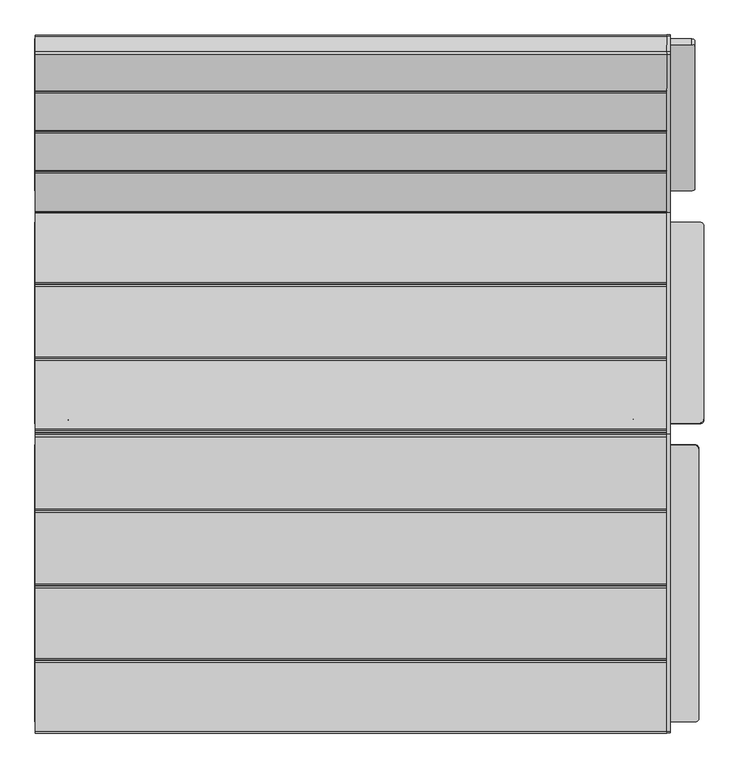
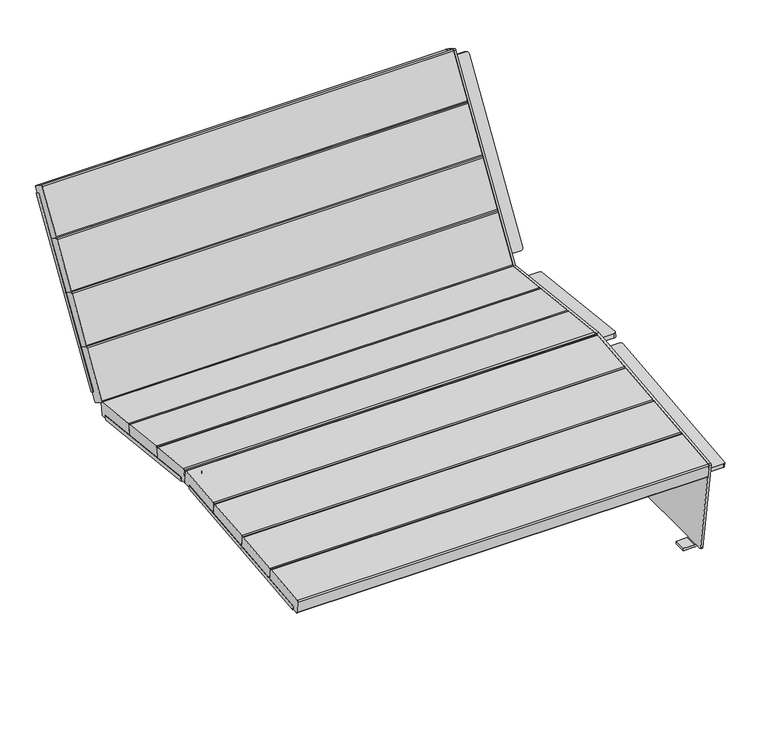
"""IFC4 building model written with IfcOpenShell, lengths in millimetres: furniture geometry."""

from ifc_helpers import new_model, si_unit, point, frame, frame_2d, origin, place, context, project, spatial, polyline, circle_curve, trimmed, segment, composite_curve, outline, extrude, source, transform, mapped, element, save
from ifc_brep_helpers import plane_surface, cylinder_surface, revolved_surface, advanced_brep


def furniture_d30e9b6e(model_context):
    return source(origin(), model_context, "Body", "SolidModel", [
        extrude(outline(composite_curve([segment(polyline([(0.0, 0.0), (578.0, 0.0), (578.0, -51.6665914)]), True, "CONTINUOUS"), segment(trimmed(circle_curve(frame_2d((569.9999999, -51.6665914)), 8.0), [point((578.0, -51.6665914))], [point((571.1396494, -59.5850003))], False, "CARTESIAN"), True, "CONTINUOUS"), segment(polyline([(571.1396494, -59.5850003), (7.0121057, -59.5850003)]), True, "CONTINUOUS"), segment(trimmed(circle_curve(frame_2d((7.0121057, -52.5728945)), 7.0121058), [point((7.0121057, -59.5850003))], [point((0.0, -52.5728945))], False, "CARTESIAN"), True, "CONTINUOUS"), segment(polyline([(0.0, -52.5728945), (0.0, 0.0)]), True, "CONTINUOUS")], self_intersect=False)), frame((-657.0, -653.6519252, 278.0435414), z_axis=(0.0, -0.10531331814140793, 0.9944390906546497), x_axis=(0.0, 0.9944390906546497, 0.10531331814140793)), (0.0, 0.0, 1.0), 12.2952655),
        extrude(outline(composite_curve([segment(polyline([(0.0, 0.0), (62.0, 0.0)]), True, "CONTINUOUS"), segment(trimmed(circle_curve(frame_2d((62.0, -7.9999999)), 8.0), [point((62.0, 0.0))], [point((70.0, -7.9999999))], False, "CARTESIAN"), True, "CONTINUOUS"), segment(polyline([(70.0, -7.9999999), (70.0, -412.0)]), True, "CONTINUOUS"), segment(trimmed(circle_curve(frame_2d((62.0, -412.0)), 8.0), [point((70.0, -412.0))], [point((62.0, -419.9999999))], False, "CARTESIAN"), True, "CONTINUOUS"), segment(polyline([(62.0, -419.9999999), (0.0, -419.9999999), (0.0, 0.0)]), True, "CONTINUOUS")], self_intersect=False)), frame((-657.0, 382.3486398, 292.0493405), z_axis=(0.0, 0.10875935595835198, 0.9940681075718728), x_axis=(1.0, 0.0, 0.0)), (0.0, 0.0, 1.0), 13.4436598),
        extrude(outline(composite_curve([segment(trimmed(circle_curve(frame_2d((0.0, -7.0)), 7.0), [point((-7.0000001, -7.0))], [point((0.9971933, -0.0713923))], False, "CARTESIAN"), True, "CONTINUOUS"), segment(polyline([(0.9971933, -0.0713923), (560.1716558, -0.0713923)]), True, "CONTINUOUS"), segment(trimmed(circle_curve(frame_2d((560.1716558, -7.0421103)), 6.970718), [point((560.1716558, -0.0713923))], [point((567.1423738, -7.0421103))], False, "CARTESIAN"), True, "CONTINUOUS"), segment(polyline([(567.1423738, -7.0421103), (567.1423738, -51.3139346), (-7.0000001, -51.3139346), (-7.0000001, -7.0)]), True, "CONTINUOUS")], self_intersect=False)), frame((-605.6860654, 761.3053612, 819.0950313), z_axis=(0.0, -0.8485020904898253, 0.5291920279391936), x_axis=(0.0, -0.5291920279391936, -0.8485020904898253)), (0.0, 0.0, 1.0), 13.5362306),
        advanced_brep(
        [(664.3530995, 602.7666168, 9.0224925), (655.3306071, 602.7666168, 0.0), (619.6140905, 602.7666168, 0.0), (619.6140905, 602.7666168, 8.1418753), (654.9504798, 602.7666168, 8.1418753), (657.0, 602.7666168, 10.1913955), (657.0, 602.7666168, 11.1667328), (664.3530995, 602.7666168, 11.1667328), (657.0, 563.2447437, 11.1667328), (657.0, 563.2447437, 10.1913955), (654.9504798, 563.2447437, 8.1418753), (619.6140905, 563.2447437, 8.1418753), (619.6140905, 563.2447437, 0.0), (655.3306071, 563.2447437, 0.0), (664.3530995, 563.2447437, 9.0224925), (664.3530995, 563.2447437, 11.1667328), (664.3530995, 632.5906619, 11.1667328), (664.3530995, 773.4237437, 842.4923379), (664.3530995, 771.6128802, 846.5443154), (664.3530995, 739.2072979, 866.9704616), (664.3530995, 733.6829682, 865.7075655), (664.3530995, 404.0685244, 338.6611211), (664.3530995, -55.947887, 389.484152), (664.3530995, -674.4279697, 323.9359283), (664.3530995, -677.9699267, 319.3675424), (664.3530995, -633.0934986, 14.5818314), (664.3530995, -629.1387431, 11.1667328), (664.3530995, -602.7666168, 11.1667328), (664.3530995, -602.7666168, 9.0224925), (664.3530995, -563.2447437, 9.0224925), (664.3530995, -563.2447437, 11.1667328), (664.3530995, -78.8661308, 338.9146392), (664.3530995, -653.6519252, 278.0435414), (664.3530995, -654.9467804, 290.270434), (664.3530995, -80.160986, 351.1415319), (664.3530995, 382.3486398, 292.0493405), (664.3530995, -35.1599653, 337.72827), (664.3530995, -33.6978416, 351.0921834), (664.3530995, 383.8107636, 305.4132539), (664.3530995, 765.0097054, 825.034546), (664.3530995, 461.1781383, 337.8735415), (664.3530995, 449.6926183, 345.0368069), (664.3530995, 753.5241854, 832.1978113), (657.0, -563.2447437, 11.1667328), (657.0, -563.2447437, 10.1913955), (657.0, -602.7666168, 10.1913955), (657.0, -602.7666168, 11.1667328), (657.0, -629.1387431, 11.1667328), (657.0, -633.0934986, 14.5818314), (657.0, -677.9699267, 319.3675424), (657.0, -674.4279697, 323.9359283), (657.0, -55.947887, 389.484152), (657.0, 404.0685244, 338.6611211), (657.0, 733.6829682, 865.7075655), (657.0, 739.2072979, 866.9704616), (657.0, 771.6128802, 846.5443154), (657.0, 773.4237437, 842.4923379), (657.0, 632.5906619, 11.1667328), (657.0, -653.6519252, 278.0435414), (657.0, -78.8661308, 338.9146392), (657.0, -80.160986, 351.1415319), (657.0, -654.9467804, 290.270434), (657.0, -35.1599653, 337.72827), (657.0, 382.3486398, 292.0493405), (657.0, 383.8107636, 305.4132539), (657.0, -33.6978416, 351.0921834), (657.0, 461.1781383, 337.8735415), (657.0, 765.0097054, 825.034546), (657.0, 753.5241854, 832.1978113), (657.0, 449.6926183, 345.0368069), (654.9504798, -602.7666168, 8.1418753), (619.6140905, -602.7666168, 8.1418753), (619.6140905, -602.7666168, 0.0), (655.3306071, -602.7666168, 0.0), (655.3306071, -563.2447437, 0.0), (619.6140905, -563.2447437, 0.0), (619.6140905, -563.2447437, 8.1418753), (654.9504798, -563.2447437, 8.1418753), (604.4271055, -653.6519252, 278.0435414), (597.4149997, -646.6788132, 278.7820095), (597.4149997, -85.6883316, 338.192153), (605.3334086, -78.8661308, 338.9146392), (605.3334086, -80.160986, 351.1415319), (597.4149997, -86.9831868, 350.4190456), (597.4149997, -647.9736684, 291.0089021), (604.4271055, -654.9467804, 290.270434), (716.0196909, -78.8661308, 338.9146392), (723.9380998, -85.6883316, 338.192153), (723.9380998, -646.6788132, 278.7820095), (716.925994, -653.6519252, 278.0435414), (716.925994, -654.9467804, 290.270434), (723.9380998, -647.9736684, 291.0089021), (723.9380998, -86.9831868, 350.4190456), (716.0196909, -80.160986, 351.1415319), (595.0, -35.1599653, 337.72827), (587.0, -27.2074205, 336.8581951), (587.0, 374.396095, 292.9194153), (595.0, 382.3486398, 292.0493405), (595.0, 383.8107636, 305.4132539), (587.0, 375.8582188, 306.2833288), (587.0, -25.7452967, 350.2221086), (595.0, -33.6978416, 351.0921834), (726.3530995, 382.3486398, 292.0493405), (734.3530995, 374.396095, 292.9194153), (734.3530995, -27.2074205, 336.8581951), (726.3530995, -35.1599653, 337.72827), (726.3530995, -33.6978416, 351.0921834), (734.3530995, -25.7452967, 350.2221086), (734.3530995, 375.8582188, 306.2833288), (726.3530995, 383.8107636, 305.4132539), (612.6860654, 765.0097054, 825.034546), (612.7281757, 461.1781383, 337.8735415), (605.7574577, 464.8669867, 343.7882103), (605.7574577, 760.7776544, 818.2489107), (612.6860654, 753.5241854, 832.1978113), (605.7574577, 749.2921345, 825.4121761), (605.7574577, 453.3814667, 350.9514757), (612.7281757, 449.6926183, 345.0368069), (708.6670341, 765.0097054, 825.034546), (715.5956418, 760.7776544, 818.2489107), (715.5956418, 464.8669867, 343.7882103), (708.6249239, 461.1781383, 337.8735415), (708.6670341, 753.5241854, 832.1978113), (708.6249239, 449.6926183, 345.0368069), (715.5956418, 453.3814667, 350.9514757), (715.5956418, 749.2921345, 825.4121761)],
        [
            (0, 1, circle_curve(frame((655.3306071, 602.7666168, 9.0224925), z_axis=(0.0, 1.0, 0.0), x_axis=(1.0, 0.0, 0.0)), 9.0224925)),
            (1, 2),
            (2, 3),
            (3, 4),
            (4, 5, circle_curve(frame((654.9504798, 602.7666168, 10.1913955), z_axis=(0.0, -1.0, 0.0), x_axis=(1.0, 0.0, 0.0)), 2.0495202)),
            (5, 6),
            (6, 7),
            (7, 0),
            (8, 9),
            (9, 10, circle_curve(frame((654.9504798, 563.2447437, 10.1913955), z_axis=(0.0, 1.0, 0.0), x_axis=(1.0, 0.0, 0.0)), 2.0495202)),
            (10, 11),
            (11, 12),
            (12, 13),
            (13, 14, circle_curve(frame((655.3306071, 563.2447437, 9.0224925), z_axis=(0.0, -1.0, 0.0), x_axis=(1.0, 0.0, 0.0)), 9.0224925)),
            (14, 15),
            (15, 8),
            (5, 9),
            (8, 6),
            (4, 10),
            (3, 11),
            (2, 12),
            (1, 13),
            (0, 14),
            (7, 16),
            (16, 17),
            (17, 18, circle_curve(frame((664.3530995, 769.4799351, 843.16045), z_axis=(1.0, 0.0, 0.0), x_axis=(0.0, 1.0, 0.0)), 4.0)),
            (18, 19),
            (19, 20, circle_curve(frame((664.3530995, 737.0743528, 863.5865962), z_axis=(1.0, 0.0, 0.0), x_axis=(0.0, 1.0, 0.0)), 4.0)),
            (20, 21),
            (21, 22),
            (22, 23),
            (23, 24, circle_curve(frame((664.3530995, -674.0056613, 319.951238), z_axis=(1.0, 0.0, 0.0), x_axis=(0.0, 1.0, 0.0)), 4.0070065)),
            (24, 25),
            (25, 26, circle_curve(frame((664.3530995, -629.1387431, 15.1641267), z_axis=(1.0, 0.0, 0.0), x_axis=(0.0, 1.0, 0.0)), 3.997394)),
            (26, 27),
            (27, 28),
            (28, 29),
            (29, 30),
            (30, 15),
            (31, 32),
            (32, 33),
            (33, 34),
            (34, 31),
            (35, 36),
            (36, 37),
            (37, 38),
            (38, 35),
            (39, 40),
            (40, 41),
            (41, 42),
            (42, 39),
            (8, 43),
            (43, 44),
            (44, 45),
            (45, 46),
            (46, 47),
            (47, 48, circle_curve(frame((657.0, -629.1387431, 15.1641267), z_axis=(-1.0, 0.0, 0.0), x_axis=(0.0, 1.0, 0.0)), 3.997394)),
            (48, 49),
            (49, 50, circle_curve(frame((657.0, -674.0056613, 319.951238), z_axis=(-1.0, 0.0, 0.0), x_axis=(0.0, 1.0, 0.0)), 4.0070065)),
            (50, 51),
            (51, 52),
            (52, 53),
            (53, 54, circle_curve(frame((657.0, 737.0743528, 863.5865962), z_axis=(-1.0, 0.0, 0.0), x_axis=(0.0, 1.0, 0.0)), 4.0)),
            (54, 55),
            (55, 56, circle_curve(frame((657.0, 769.4799351, 843.16045), z_axis=(-1.0, 0.0, 0.0), x_axis=(0.0, 1.0, 0.0)), 4.0)),
            (56, 57),
            (57, 6),
            (58, 59),
            (59, 60),
            (60, 61),
            (61, 58),
            (62, 63),
            (63, 64),
            (64, 65),
            (65, 62),
            (66, 67),
            (67, 68),
            (68, 69),
            (69, 66),
            (25, 48),
            (47, 26),
            (30, 43),
            (46, 27),
            (57, 16),
            (56, 17),
            (55, 18),
            (54, 19),
            (53, 20),
            (52, 21),
            (51, 22),
            (50, 23),
            (49, 24),
            (45, 70, circle_curve(frame((654.9504798, -602.7666168, 10.1913955), z_axis=(0.0, 1.0, 0.0), x_axis=(1.0, 0.0, 0.0)), 2.0495202)),
            (70, 71),
            (71, 72),
            (72, 73),
            (73, 28, circle_curve(frame((655.3306071, -602.7666168, 9.0224925), z_axis=(0.0, -1.0, 0.0), x_axis=(1.0, 0.0, 0.0)), 9.0224925)),
            (29, 74, circle_curve(frame((655.3306071, -563.2447437, 9.0224925), z_axis=(0.0, 1.0, 0.0), x_axis=(1.0, 0.0, 0.0)), 9.0224925)),
            (74, 75),
            (75, 76),
            (76, 77),
            (77, 44, circle_curve(frame((654.9504798, -563.2447437, 10.1913955), z_axis=(0.0, -1.0, 0.0), x_axis=(1.0, 0.0, 0.0)), 2.0495202)),
            (77, 70),
            (76, 71),
            (75, 72),
            (74, 73),
            (58, 78),
            (78, 79, circle_curve(frame((604.4271055, -646.6788132, 278.7820095), z_axis=(0.0, 0.10531331814140793, -0.9944390906546497), x_axis=(1.0, 0.0, 0.0)), 7.0121058)),
            (79, 80),
            (80, 81, circle_curve(frame((605.3334086, -86.8216436, 338.0721327), z_axis=(0.0, 0.10531331814140793, -0.9944390906546497), x_axis=(-1.0, 0.0, 0.0)), 8.0)),
            (81, 59),
            (60, 82),
            (82, 83, circle_curve(frame((605.3334086, -88.1164988, 350.2990253), z_axis=(0.0, -0.10531331814140793, 0.9944390906546497), x_axis=(-1.0, 0.0, 0.0)), 8.0)),
            (83, 84),
            (84, 85, circle_curve(frame((604.4271055, -647.9736684, 291.0089021), z_axis=(0.0, -0.10531331814140793, 0.9944390906546497), x_axis=(1.0, 0.0, 0.0)), 7.0121058)),
            (85, 61),
            (81, 82),
            (80, 83),
            (85, 78),
            (84, 79),
            (31, 86),
            (86, 87, circle_curve(frame((716.0196909, -86.8216436, 338.0721327), z_axis=(0.0, 0.10531331814140794, -0.9944390906546497), x_axis=(1.0, 0.0, 0.0)), 8.0)),
            (87, 88),
            (88, 89, circle_curve(frame((716.925994, -646.6788132, 278.7820095), z_axis=(0.0, 0.10531331814140794, -0.9944390906546497), x_axis=(-1.0, 0.0, 0.0)), 7.0121058)),
            (89, 32),
            (33, 90),
            (90, 91, circle_curve(frame((716.925994, -647.9736684, 291.0089021), z_axis=(0.0, -0.10531331814140794, 0.9944390906546497), x_axis=(-1.0, 0.0, 0.0)), 7.0121058)),
            (91, 92),
            (92, 93, circle_curve(frame((716.0196909, -88.1164988, 350.2990253), z_axis=(0.0, -0.10531331814140794, 0.9944390906546497), x_axis=(1.0, 0.0, 0.0)), 8.0)),
            (93, 34),
            (93, 86),
            (92, 87),
            (89, 90),
            (88, 91),
            (62, 94),
            (94, 95, circle_curve(frame((595.0, -27.2074205, 336.8581951), z_axis=(0.0, -0.10875935595835198, -0.9940681075718728), x_axis=(0.0, 0.9940681075718728, -0.10875935595835198)), 8.0)),
            (95, 96),
            (96, 97, circle_curve(frame((595.0, 374.396095, 292.9194153), z_axis=(0.0, -0.10875935595835198, -0.9940681075718728), x_axis=(0.0, 0.9940681075718728, -0.10875935595835198)), 8.0)),
            (97, 63),
            (64, 98),
            (98, 99, circle_curve(frame((595.0, 375.8582188, 306.2833288), z_axis=(0.0, 0.10875935595835198, 0.9940681075718728), x_axis=(0.0, 0.9940681075718728, -0.10875935595835198)), 8.0)),
            (99, 100),
            (100, 101, circle_curve(frame((595.0, -25.7452967, 350.2221086), z_axis=(0.0, 0.10875935595835198, 0.9940681075718728), x_axis=(0.0, 0.9940681075718728, -0.10875935595835198)), 8.0)),
            (101, 65),
            (97, 98),
            (96, 99),
            (95, 100),
            (94, 101),
            (35, 102),
            (102, 103, circle_curve(frame((726.3530995, 374.396095, 292.9194153), z_axis=(0.0, -0.10875935595835198, -0.9940681075718728), x_axis=(0.0, 0.9940681075718728, -0.10875935595835198)), 8.0)),
            (103, 104),
            (104, 105, circle_curve(frame((726.3530995, -27.2074205, 336.8581951), z_axis=(0.0, -0.10875935595835198, -0.9940681075718728), x_axis=(0.0, 0.9940681075718728, -0.10875935595835198)), 8.0)),
            (105, 36),
            (37, 106),
            (106, 107, circle_curve(frame((726.3530995, -25.7452967, 350.2221086), z_axis=(0.0, 0.10875935595835198, 0.9940681075718728), x_axis=(0.0, 0.9940681075718728, -0.10875935595835198)), 8.0)),
            (107, 108),
            (108, 109, circle_curve(frame((726.3530995, 375.8582188, 306.2833288), z_axis=(0.0, 0.10875935595835198, 0.9940681075718728), x_axis=(0.0, 0.9940681075718728, -0.10875935595835198)), 8.0)),
            (109, 38),
            (109, 102),
            (108, 103),
            (107, 104),
            (106, 105),
            (110, 67),
            (66, 111),
            (111, 112, circle_curve(frame((612.7281757, 464.8669867, 343.7882103), z_axis=(0.0, 0.8485020904898253, -0.5291920279391936), x_axis=(1.0, 0.0, 0.0)), 6.970718)),
            (112, 113),
            (113, 110, circle_curve(frame((612.6860654, 761.3053612, 819.0950313), z_axis=(0.0, 0.8485020904898253, -0.5291920279391936), x_axis=(-1.0, 0.0, 0.0)), 7.0)),
            (114, 115, circle_curve(frame((612.6860654, 749.8198412, 826.2582967), z_axis=(0.0, -0.8485020904898253, 0.5291920279391936), x_axis=(-1.0, 0.0, 0.0)), 7.0)),
            (115, 116),
            (116, 117, circle_curve(frame((612.7281757, 453.3814667, 350.9514757), z_axis=(0.0, -0.8485020904898253, 0.5291920279391936), x_axis=(1.0, 0.0, 0.0)), 6.970718)),
            (117, 69),
            (68, 114),
            (113, 115),
            (114, 110),
            (117, 111),
            (116, 112),
            (118, 119, circle_curve(frame((708.6670341, 761.3053612, 819.0950313), z_axis=(0.0, 0.8485020904898253, -0.5291920279391936), x_axis=(1.0, 0.0, 0.0)), 7.0)),
            (119, 120),
            (120, 121, circle_curve(frame((708.6249239, 464.8669867, 343.7882103), z_axis=(0.0, 0.8485020904898253, -0.5291920279391936), x_axis=(-1.0, 0.0, 0.0)), 6.970718)),
            (121, 40),
            (39, 118),
            (122, 42),
            (41, 123),
            (123, 124, circle_curve(frame((708.6249239, 453.3814667, 350.9514757), z_axis=(0.0, -0.8485020904898253, 0.5291920279391936), x_axis=(-1.0, 0.0, 0.0)), 6.970718)),
            (124, 125),
            (125, 122, circle_curve(frame((708.6670341, 749.8198412, 826.2582967), z_axis=(0.0, -0.8485020904898253, 0.5291920279391936), x_axis=(1.0, 0.0, 0.0)), 7.0)),
            (118, 122),
            (125, 119),
            (121, 123),
            (120, 124),
        ],
        [
            plane_surface(frame((657.0, 602.7666168, 15.0954559), z_axis=(0.0, 1.0, 0.0), x_axis=(0.0, 0.0, 1.0))),
            plane_surface(frame((657.0, 563.2447437, 15.0954559), z_axis=(0.0, -1.0, 0.0), x_axis=(0.0, 0.0, -1.0))),
            plane_surface(frame((657.0, 602.7666168, 10.1913955), z_axis=(-1.0, 0.0, 0.0), x_axis=(0.0, -1.0, 0.0))),
            revolved_surface(polyline([(657.0, 563.2447437, 10.1913955), (657.0, 602.7666168, 10.1913955)]), (654.9504798, 563.2447437, 10.1913955), (0.0, -1.0, 0.0)),
            plane_surface(frame((619.6140905, 602.7666168, 8.1418753), z_axis=(0.0, 0.0, 1.0), x_axis=(0.0, -1.0, 0.0))),
            plane_surface(frame((619.6140905, 602.7666168, 0.0), z_axis=(-1.0, 0.0, 0.0), x_axis=(0.0, -1.0, 0.0))),
            plane_surface(frame((655.3306071, 602.7666168, 0.0), z_axis=(0.0, 0.0, -1.0), x_axis=(0.0, -1.0, 0.0))),
            cylinder_surface(frame((655.3306071, 563.2447437, 9.0224925), z_axis=(0.0, 1.0, 0.0), x_axis=(1.0, 0.0, 0.0)), 9.0224925),
            plane_surface(frame((664.3530995, 602.7666168, 15.0954559), z_axis=(1.0, 0.0, 0.0), x_axis=(0.0, -1.0, 0.0))),
            plane_surface(frame((657.0, 602.7666168, 11.1667328), z_axis=(-1.0, 0.0, 0.0), x_axis=(0.0, -1.0, 0.0))),
            cylinder_surface(frame((657.0, -629.1387431, 15.1641267), z_axis=(1.0, 0.0, 0.0), x_axis=(0.0, 1.0, 0.0)), 3.997394),
            plane_surface(frame((664.3530995, -629.1387431, 11.1667328), z_axis=(0.0, 0.0, -1.0), x_axis=(-1.0, 0.0, 0.0))),
            plane_surface(frame((664.3530995, 632.5906619, 11.1667328), z_axis=(0.0, 0.985952147265219, -0.16702803148904108), x_axis=(-1.0, 0.0, 0.0))),
            cylinder_surface(frame((657.0, 769.4799351, 843.16045), z_axis=(1.0, 0.0, 0.0), x_axis=(0.0, 1.0, 0.0)), 4.0),
            plane_surface(frame((664.3530995, 771.6128802, 846.5443154), z_axis=(0.0, 0.5332362847455439, 0.845966349585354), x_axis=(-1.0, 0.0, 0.0))),
            cylinder_surface(frame((657.0, 737.0743528, 863.5865962), z_axis=(1.0, 0.0, 0.0), x_axis=(0.0, 1.0, 0.0)), 4.0),
            plane_surface(frame((664.3530995, 733.6829682, 865.7075655), z_axis=(0.0, -0.8478461383112661, 0.5302423273850114), x_axis=(-1.0, 0.0, 0.0))),
            plane_surface(frame((664.3530995, 404.0685244, 338.6611211), z_axis=(0.0, 0.10981275199900425, 0.9939522923653857), x_axis=(-1.0, 0.0, 0.0))),
            plane_surface(frame((664.3530995, -55.947887, 389.484152), z_axis=(0.0, -0.10539250642220668, 0.9944307012507434), x_axis=(-1.0, 0.0, 0.0))),
            cylinder_surface(frame((657.0, -674.0056613, 319.951238), z_axis=(1.0, 0.0, 0.0), x_axis=(0.0, 1.0, 0.0)), 4.0070065),
            plane_surface(frame((664.3530995, -677.9699267, 319.3675424), z_axis=(0.0, -0.9893334212997198, -0.14566873892291154), x_axis=(-1.0, 0.0, 0.0))),
            plane_surface(frame((657.0, -602.7666168, 11.1667328), z_axis=(0.0, -1.0, 0.0), x_axis=(0.0, 0.0, -1.0))),
            plane_surface(frame((657.0, -563.2447437, 11.1667328), z_axis=(0.0, 1.0, 0.0), x_axis=(0.0, 0.0, 1.0))),
            revolved_surface(polyline([(657.0, -563.2447437, 10.1913955), (657.0, -602.7666168, 10.1913955)]), (654.9504798, -563.2447437, 10.1913955), (0.0, 1.0, 0.0)),
            plane_surface(frame((654.9504798, -602.7666168, 8.1418753), z_axis=(0.0, 0.0, 1.0), x_axis=(0.0, 1.0, 0.0))),
            plane_surface(frame((619.6140905, -602.7666168, 8.1418753), z_axis=(-1.0, 0.0, 0.0), x_axis=(0.0, 1.0, 0.0))),
            plane_surface(frame((619.6140905, -602.7666168, 0.0), z_axis=(0.0, 0.0, -1.0), x_axis=(0.0, 1.0, 0.0))),
            cylinder_surface(frame((655.3306071, -563.2447437, 9.0224925), z_axis=(0.0, -1.0, 0.0), x_axis=(1.0, 0.0, 0.0)), 9.0224925),
            plane_surface(frame((607.6361934, -653.6519252, 278.0435414), z_axis=(0.0, 0.10531331814140793, -0.9944390906546497), x_axis=(-1.0, 0.0, 0.0))),
            plane_surface(frame((607.6361934, -654.9467804, 290.270434), z_axis=(0.0, -0.10531331814140793, 0.9944390906546497), x_axis=(1.0, 0.0, 0.0))),
            plane_surface(frame((605.3334086, -78.8661308, 338.9146392), z_axis=(0.0, 0.9944390906546499, 0.10531331814140715), x_axis=(0.0, -0.10531331814140715, 0.9944390906546499))),
            cylinder_surface(frame((605.3334086, -88.1164988, 350.2990253), z_axis=(0.0, 0.10531331814140793, -0.9944390906546497), x_axis=(-1.0, 0.0, 0.0)), 8.0),
            plane_surface(frame((657.0, -653.6519252, 278.0435414), z_axis=(0.0, -0.9944390906546492, -0.10531331814141288), x_axis=(0.0, -0.10531331814141288, 0.9944390906546492))),
            cylinder_surface(frame((604.4271055, -647.9736684, 291.0089021), z_axis=(0.0, 0.10531331814140793, -0.9944390906546497), x_axis=(1.0, 0.0, 0.0)), 7.0121058),
            plane_surface(frame((597.4149997, -646.6788132, 278.7820095), z_axis=(-1.0, 0.0, 0.0), x_axis=(0.0, -0.10531331814141288, 0.9944390906546492))),
            plane_surface(frame((664.3530995, -653.6519252, 278.0435414), z_axis=(0.0, 0.10531331814140794, -0.9944390906546497), x_axis=(0.0, 0.9944390906546497, 0.10531331814140794))),
            plane_surface(frame((664.3530995, -654.9467804, 290.270434), z_axis=(0.0, -0.10531331814140794, 0.9944390906546497), x_axis=(0.0, -0.9944390906546497, -0.10531331814140794))),
            plane_surface(frame((664.3530995, -78.8661308, 338.9146392), z_axis=(0.0, 0.9944390906546499, 0.10531331814140715), x_axis=(0.0, -0.10531331814140715, 0.9944390906546499))),
            cylinder_surface(frame((716.0196909, -88.1164988, 350.2990253), z_axis=(0.0, 0.10531331814140794, -0.9944390906546497), x_axis=(1.0, 0.0, 0.0)), 8.0),
            plane_surface(frame((716.925994, -653.6519252, 278.0435414), z_axis=(0.0, -0.9944390906546492, -0.10531331814141288), x_axis=(0.0, -0.10531331814141288, 0.9944390906546492))),
            cylinder_surface(frame((716.925994, -647.9736684, 291.0089021), z_axis=(0.0, 0.10531331814140794, -0.9944390906546497), x_axis=(-1.0, 0.0, 0.0)), 7.0121058),
            plane_surface(frame((723.9380998, -85.6883316, 338.192153), z_axis=(1.0, 0.0, 0.0), x_axis=(0.0, -0.10531331814140715, 0.9944390906546499))),
            plane_surface(frame((657.0, -35.1599653, 337.72827), z_axis=(0.0, -0.10875935595835198, -0.9940681075718728), x_axis=(0.0, -0.9940681075718728, 0.10875935595835198))),
            plane_surface(frame((657.0, -33.6978416, 351.0921834), z_axis=(0.0, 0.10875935595835198, 0.9940681075718728), x_axis=(0.0, 0.9940681075718728, -0.10875935595835198))),
            plane_surface(frame((595.0, 382.3486398, 292.0493405), z_axis=(0.0, 0.9940681075718729, -0.10875935595835155), x_axis=(0.0, 0.10875935595835155, 0.9940681075718729))),
            cylinder_surface(frame((595.0, 375.8582188, 306.2833288), z_axis=(0.0, -0.10875935595835198, -0.9940681075718728), x_axis=(0.0, 0.9940681075718728, -0.10875935595835198)), 8.0),
            plane_surface(frame((587.0, -27.2074205, 336.8581951), z_axis=(-1.0, 0.0, 0.0), x_axis=(0.0, 0.10875935595835222, 0.9940681075718728))),
            cylinder_surface(frame((595.0, -25.7452967, 350.2221086), z_axis=(0.0, -0.10875935595835198, -0.9940681075718728), x_axis=(0.0, 0.9940681075718728, -0.10875935595835198)), 8.0),
            plane_surface(frame((657.0, -35.1599653, 337.72827), z_axis=(0.0, -0.9940681075718728, 0.1087593559583519), x_axis=(0.0, 0.1087593559583519, 0.9940681075718728))),
            plane_surface(frame((664.3530995, 382.3486398, 292.0493405), z_axis=(0.0, -0.10875935595835198, -0.9940681075718728), x_axis=(1.0, 0.0, 0.0))),
            plane_surface(frame((664.3530995, 383.8107636, 305.4132539), z_axis=(0.0, 0.10875935595835198, 0.9940681075718728), x_axis=(-1.0, 0.0, 0.0))),
            plane_surface(frame((664.3530995, 382.3486398, 292.0493405), z_axis=(0.0, 0.9940681075718729, -0.10875935595835155), x_axis=(0.0, 0.10875935595835155, 0.9940681075718729))),
            cylinder_surface(frame((726.3530995, 375.8582188, 306.2833288), z_axis=(0.0, -0.10875935595835198, -0.9940681075718728), x_axis=(0.0, 0.9940681075718728, -0.10875935595835198)), 8.0),
            plane_surface(frame((734.3530995, 374.396095, 292.9194153), z_axis=(1.0, 0.0, 0.0), x_axis=(0.0, 0.10875935595835155, 0.9940681075718729))),
            cylinder_surface(frame((726.3530995, -25.7452967, 350.2221086), z_axis=(0.0, -0.10875935595835198, -0.9940681075718728), x_axis=(0.0, 0.9940681075718728, -0.10875935595835198)), 8.0),
            plane_surface(frame((726.3530995, -35.1599653, 337.72827), z_axis=(0.0, -0.9940681075718729, 0.10875935595835183), x_axis=(0.0, 0.10875935595835183, 0.9940681075718729))),
            plane_surface(frame((657.1685248, 765.0097054, 825.034546), z_axis=(0.0, 0.8485020904898253, -0.5291920279391936), x_axis=(1.0, 0.0, 0.0))),
            plane_surface(frame((657.1685248, 753.5241854, 832.1978113), z_axis=(0.0, -0.8485020904898253, 0.5291920279391936), x_axis=(-1.0, 0.0, 0.0))),
            cylinder_surface(frame((612.6860654, 749.8198412, 826.2582967), z_axis=(0.0, 0.8485020904898253, -0.5291920279391936), x_axis=(-1.0, 0.0, 0.0)), 7.0),
            plane_surface(frame((657.0, 461.1781383, 337.8735415), z_axis=(0.0, -0.5291920279391971, -0.8485020904898233), x_axis=(0.0, -0.8485020904898233, 0.5291920279391971))),
            plane_surface(frame((612.6860654, 765.0097054, 825.034546), z_axis=(0.0, 0.5291920279391971, 0.8485020904898233), x_axis=(0.0, -0.8485020904898233, 0.5291920279391971))),
            cylinder_surface(frame((612.7281757, 453.3814667, 350.9514757), z_axis=(0.0, 0.8485020904898253, -0.5291920279391936), x_axis=(1.0, 0.0, 0.0)), 6.970718),
            plane_surface(frame((605.7574577, 464.8669867, 343.7882103), z_axis=(-1.0, 0.0, 0.0), x_axis=(0.0, -0.8485020904898283, 0.529192027939189))),
            plane_surface(frame((715.6670341, 761.3053612, 819.0950313), z_axis=(0.0, 0.8485020904898254, -0.5291920279391936), x_axis=(0.0, -0.5291920279391936, -0.8485020904898254))),
            plane_surface(frame((715.6670341, 749.8198412, 826.2582967), z_axis=(0.0, -0.8485020904898254, 0.5291920279391936), x_axis=(0.0, 0.5291920279391936, 0.8485020904898254))),
            cylinder_surface(frame((708.6670341, 749.8198412, 826.2582967), z_axis=(0.0, 0.8485020904898253, -0.5291920279391936), x_axis=(1.0, 0.0, 0.0)), 7.0),
            plane_surface(frame((708.6249239, 461.1781383, 337.8735415), z_axis=(0.0, -0.5291920279391912, -0.8485020904898268), x_axis=(0.0, -0.8485020904898268, 0.5291920279391912))),
            plane_surface(frame((664.3530995, 765.0097054, 825.034546), z_axis=(0.0, 0.5291920279391971, 0.8485020904898233), x_axis=(0.0, -0.8485020904898233, 0.5291920279391971))),
            cylinder_surface(frame((708.6249239, 453.3814667, 350.9514757), z_axis=(0.0, 0.8485020904898253, -0.5291920279391936), x_axis=(-1.0, 0.0, 0.0)), 6.970718),
            plane_surface(frame((715.5956418, 760.7776544, 818.2489107), z_axis=(1.0000000000000002, 0.0, 0.0), x_axis=(0.0, -0.8485020904898233, 0.5291920279391971))),
        ],
        [
            (0, [[1, 2, 3, 4, 5, 6, 7, 8]]),
            (1, [[9, 10, 11, 12, 13, 14, 15, 16]]),
            (2, [[-6, 17, -9, 18]]),
            (3, [[-5, 19, -10, -17]]),
            (4, [[-4, 20, -11, -19]]),
            (5, [[-3, 21, -12, -20]]),
            (6, [[-2, 22, -13, -21]]),
            (7, [[-1, 23, -14, -22]]),
            (8, [[-23, -8, 24, 25, 26, 27, 28, 29, 30, 31, 32, 33, 34, 35, 36, 37, 38, 39, -15], [40, 41, 42, 43], [44, 45, 46, 47], [48, 49, 50, 51]]),
            (9, [[-18, 52, 53, 54, 55, 56, 57, 58, 59, 60, 61, 62, 63, 64, 65, 66, 67], [68, 69, 70, 71], [72, 73, 74, 75], [76, 77, 78, 79]]),
            (10, [[-34, 80, -57, 81]]),
            (11, [[-16, -39, 82, -52]]),
            (11, [[-81, -56, 83, -35]]),
            (11, [[84, -24, -7, -67]]),
            (12, [[-25, -84, -66, 85]]),
            (13, [[-26, -85, -65, 86]]),
            (14, [[-27, -86, -64, 87]]),
            (15, [[-28, -87, -63, 88]]),
            (16, [[-29, -88, -62, 89]]),
            (17, [[-30, -89, -61, 90]]),
            (18, [[-31, -90, -60, 91]]),
            (19, [[-32, -91, -59, 92]]),
            (20, [[-33, -92, -58, -80]]),
            (21, [[-55, 93, 94, 95, 96, 97, -36, -83]]),
            (22, [[98, 99, 100, 101, 102, -53, -82, -38]]),
            (23, [[-93, -54, -102, 103]]),
            (24, [[-94, -103, -101, 104]]),
            (25, [[-95, -104, -100, 105]]),
            (26, [[-96, -105, -99, 106]]),
            (27, [[-97, -106, -98, -37]]),
            (28, [[107, 108, 109, 110, 111, -68]]),
            (29, [[112, 113, 114, 115, 116, -70]]),
            (30, [[-111, 117, -112, -69]]),
            (31, [[-110, 118, -113, -117]]),
            (32, [[-107, -71, -116, 119]]),
            (33, [[-108, -119, -115, 120]]),
            (34, [[-109, -120, -114, -118]]),
            (35, [[121, 122, 123, 124, 125, -40]]),
            (36, [[126, 127, 128, 129, 130, -42]]),
            (37, [[-121, -43, -130, 131]]),
            (38, [[-122, -131, -129, 132]]),
            (39, [[-125, 133, -126, -41]]),
            (40, [[-124, 134, -127, -133]]),
            (41, [[-123, -132, -128, -134]]),
            (42, [[135, 136, 137, 138, 139, -72]]),
            (43, [[140, 141, 142, 143, 144, -74]]),
            (44, [[-139, 145, -140, -73]]),
            (45, [[-138, 146, -141, -145]]),
            (46, [[-137, 147, -142, -146]]),
            (47, [[-136, 148, -143, -147]]),
            (48, [[-135, -75, -144, -148]]),
            (49, [[149, 150, 151, 152, 153, -44]]),
            (50, [[154, 155, 156, 157, 158, -46]]),
            (51, [[-149, -47, -158, 159]]),
            (52, [[-150, -159, -157, 160]]),
            (53, [[-151, -160, -156, 161]]),
            (54, [[-152, -161, -155, 162]]),
            (55, [[-153, -162, -154, -45]]),
            (56, [[163, -76, 164, 165, 166, 167]]),
            (57, [[168, 169, 170, 171, -78, 172]]),
            (58, [[-167, 173, -168, 174]]),
            (59, [[-164, -79, -171, 175]]),
            (60, [[-163, -174, -172, -77]]),
            (61, [[-165, -175, -170, 176]]),
            (62, [[-166, -176, -169, -173]]),
            (63, [[177, 178, 179, 180, -48, 181]]),
            (64, [[182, -50, 183, 184, 185, 186]]),
            (65, [[-177, 187, -186, 188]]),
            (66, [[-180, 189, -183, -49]]),
            (67, [[-181, -51, -182, -187]]),
            (68, [[-179, 190, -184, -189]]),
            (69, [[-178, -188, -185, -190]]),
        ],
    ),
        extrude(outline(composite_curve([segment(polyline([(689.8360354, 718.7427227), (658.4414581, 738.3228278)]), True, "CONTINUOUS"), segment(trimmed(circle_curve(frame_2d((660.5582262, 741.7168361)), 4.0), [point((658.4414581, 738.3228278))], [point((657.1642178, 743.8336042))], False, "CARTESIAN"), True, "CONTINUOUS"), segment(polyline([(657.1642178, 743.8336042), (733.4991308, 866.2283681)]), True, "CONTINUOUS"), segment(trimmed(circle_curve(frame_2d((736.8931392, 864.1115999)), 4.0), [point((733.4991308, 866.2283681))], [point((739.0099073, 867.5056083))], False, "CARTESIAN"), True, "CONTINUOUS"), segment(polyline([(739.0099073, 867.5056083), (770.4044847, 847.9255033)]), True, "CONTINUOUS"), segment(trimmed(circle_curve(frame_2d((768.2877166, 844.5314949)), 4.0), [point((770.4044847, 847.9255033))], [point((771.6817249, 842.4147268))], False, "CARTESIAN"), True, "CONTINUOUS"), segment(polyline([(771.6817249, 842.4147268), (695.3468119, 720.019963)]), True, "CONTINUOUS"), segment(trimmed(circle_curve(frame_2d((691.9528035, 722.1367311)), 4.0), [point((695.3468119, 720.019963))], [point((689.8360354, 718.7427227))], False, "CARTESIAN"), True, "CONTINUOUS")], self_intersect=False)), frame((-655.9426647, 0.0, 0.0), z_axis=(1.0, 0.0, 0.0), x_axis=(0.0, 1.0, 0.0)), (0.0, 0.0, 1.0), 1312.9426647),
        extrude(outline(composite_curve([segment(polyline([(606.8517862, 585.6864687), (575.4572089, 605.2665737)]), True, "CONTINUOUS"), segment(trimmed(circle_curve(frame_2d((577.573977, 608.6605821)), 4.0), [point((575.4572089, 605.2665737))], [point((574.1799686, 610.7773502))], False, "CARTESIAN"), True, "CONTINUOUS"), segment(polyline([(574.1799686, 610.7773502), (652.9306816, 737.0455875)]), True, "CONTINUOUS"), segment(trimmed(circle_curve(frame_2d((656.32469, 734.9288194)), 4.0), [point((652.9306816, 737.0455875))], [point((658.4414581, 738.3228278))], False, "CARTESIAN"), True, "CONTINUOUS"), segment(polyline([(658.4414581, 738.3228278), (689.8360354, 718.7427227)]), True, "CONTINUOUS"), segment(trimmed(circle_curve(frame_2d((687.7192673, 715.3487144)), 4.0), [point((689.8360354, 718.7427227))], [point((691.1132757, 713.2319463))], False, "CARTESIAN"), True, "CONTINUOUS"), segment(polyline([(691.1132757, 713.2319463), (612.3625627, 586.9637089)]), True, "CONTINUOUS"), segment(trimmed(circle_curve(frame_2d((608.9685544, 589.080477)), 4.0), [point((612.3625627, 586.9637089))], [point((606.8517862, 585.6864687))], False, "CARTESIAN"), True, "CONTINUOUS")], self_intersect=False)), frame((-655.9426647, 0.0, 0.0), z_axis=(1.0, 0.0, 0.0), x_axis=(0.0, 1.0, 0.0)), (0.0, 0.0, 1.0), 1312.9426647),
        extrude(outline(composite_curve([segment(polyline([(523.5785945, 452.1669265), (492.1840171, 471.7470315)]), True, "CONTINUOUS"), segment(trimmed(circle_curve(frame_2d((494.3007852, 475.1410399)), 4.0), [point((492.1840171, 471.7470315))], [point((490.9067769, 477.257808))], False, "CARTESIAN"), True, "CONTINUOUS"), segment(polyline([(490.9067769, 477.257808), (569.9464324, 603.9893335)]), True, "CONTINUOUS"), segment(trimmed(circle_curve(frame_2d((573.3404408, 601.8725654)), 4.0), [point((569.9464324, 603.9893335))], [point((575.4572089, 605.2665737))], False, "CARTESIAN"), True, "CONTINUOUS"), segment(polyline([(575.4572089, 605.2665737), (606.8517862, 585.6864687)]), True, "CONTINUOUS"), segment(trimmed(circle_curve(frame_2d((604.7350181, 582.2924603)), 4.0), [point((606.8517862, 585.6864687))], [point((608.1290265, 580.1756922))], False, "CARTESIAN"), True, "CONTINUOUS"), segment(polyline([(608.1290265, 580.1756922), (529.0893709, 453.4441667)]), True, "CONTINUOUS"), segment(trimmed(circle_curve(frame_2d((525.6953626, 455.5609348)), 4.0), [point((529.0893709, 453.4441667))], [point((523.5785945, 452.1669265))], False, "CARTESIAN"), True, "CONTINUOUS")], self_intersect=False)), frame((-655.9426647, 0.0, 0.0), z_axis=(1.0, 0.0, 0.0), x_axis=(0.0, 1.0, 0.0)), (0.0, 0.0, 1.0), 1312.9426647),
        extrude(outline(composite_curve([segment(polyline([(438.729074, 316.119912), (407.3344967, 335.7000171)]), True, "CONTINUOUS"), segment(trimmed(circle_curve(frame_2d((409.4512648, 339.0940254)), 4.0), [point((407.3344967, 335.7000171))], [point((406.0572564, 341.2107935))], False, "CARTESIAN"), True, "CONTINUOUS"), segment(polyline([(406.0572564, 341.2107935), (486.6732406, 470.4697913)]), True, "CONTINUOUS"), segment(trimmed(circle_curve(frame_2d((490.067249, 468.3530232)), 4.0), [point((486.6732406, 470.4697913))], [point((492.1840171, 471.7470315))], False, "CARTESIAN"), True, "CONTINUOUS"), segment(polyline([(492.1840171, 471.7470315), (523.5785945, 452.1669265)]), True, "CONTINUOUS"), segment(trimmed(circle_curve(frame_2d((521.4618263, 448.7729181)), 4.0), [point((523.5785945, 452.1669265))], [point((524.8558347, 446.65615))], False, "CARTESIAN"), True, "CONTINUOUS"), segment(polyline([(524.8558347, 446.65615), (444.2398505, 317.3971523)]), True, "CONTINUOUS"), segment(trimmed(circle_curve(frame_2d((440.8458421, 319.5139204)), 4.0), [point((444.2398505, 317.3971523))], [point((438.729074, 316.119912))], False, "CARTESIAN"), True, "CONTINUOUS")], self_intersect=False)), frame((-655.9426647, 0.0, 0.0), z_axis=(1.0, 0.0, 0.0), x_axis=(0.0, 1.0, 0.0)), (0.0, 0.0, 1.0), 1312.9426647),
        extrude(outline(composite_curve([segment(polyline([(-526.5618181, 293.8107679), (-670.18914, 278.6003141)]), True, "CONTINUOUS"), segment(trimmed(circle_curve(frame_2d((-670.6103933, 282.5780704)), 4.0), [point((-670.18914, 278.6003141))], [point((-674.5881496, 282.1568171))], False, "CARTESIAN"), True, "CONTINUOUS"), segment(polyline([(-674.5881496, 282.1568171), (-678.4847424, 318.9510635)]), True, "CONTINUOUS"), segment(trimmed(circle_curve(frame_2d((-674.506986, 319.3723168)), 4.0), [point((-678.4847424, 318.9510635))], [point((-674.9282393, 323.3500731))], False, "CARTESIAN"), True, "CONTINUOUS"), segment(polyline([(-674.9282393, 323.3500731), (-531.3009174, 338.5605269)]), True, "CONTINUOUS"), segment(trimmed(circle_curve(frame_2d((-530.8796641, 334.5827706)), 4.0), [point((-531.3009174, 338.5605269))], [point((-526.9019077, 335.0040238))], False, "CARTESIAN"), True, "CONTINUOUS"), segment(polyline([(-526.9019077, 335.0040238), (-523.005315, 298.2097775)]), True, "CONTINUOUS"), segment(trimmed(circle_curve(frame_2d((-526.9830713, 297.7885242)), 4.0), [point((-523.005315, 298.2097775))], [point((-526.5618181, 293.8107679))], False, "CARTESIAN"), True, "CONTINUOUS")], self_intersect=False)), frame((-655.9426647, 0.0, 0.0), z_axis=(1.0, 0.0, 0.0), x_axis=(0.0, 1.0, 0.0)), (0.0, 0.0, 1.0), 1312.9426647),
        extrude(outline(composite_curve([segment(polyline([(-371.4753437, 310.2347715), (-518.6063053, 294.6532744)]), True, "CONTINUOUS"), segment(trimmed(circle_curve(frame_2d((-519.0275586, 298.6310308)), 4.0), [point((-518.6063053, 294.6532744))], [point((-523.005315, 298.2097775))], False, "CARTESIAN"), True, "CONTINUOUS"), segment(polyline([(-523.005315, 298.2097775), (-526.9019077, 335.0040238)]), True, "CONTINUOUS"), segment(trimmed(circle_curve(frame_2d((-522.9241514, 335.4252771)), 4.0), [point((-526.9019077, 335.0040238))], [point((-523.3454047, 339.4030335))], False, "CARTESIAN"), True, "CONTINUOUS"), segment(polyline([(-523.3454047, 339.4030335), (-376.214443, 354.9845305)]), True, "CONTINUOUS"), segment(trimmed(circle_curve(frame_2d((-375.7931898, 351.0067742)), 4.0), [point((-376.214443, 354.9845305))], [point((-371.8154334, 351.4280275))], False, "CARTESIAN"), True, "CONTINUOUS"), segment(polyline([(-371.8154334, 351.4280275), (-367.9188406, 314.6337811)]), True, "CONTINUOUS"), segment(trimmed(circle_curve(frame_2d((-371.896597, 314.2125278)), 4.0), [point((-367.9188406, 314.6337811))], [point((-371.4753437, 310.2347715))], False, "CARTESIAN"), True, "CONTINUOUS")], self_intersect=False)), frame((-655.9426647, 0.0, 0.0), z_axis=(1.0, 0.0, 0.0), x_axis=(0.0, 1.0, 0.0)), (0.0, 0.0, 1.0), 1312.9426647),
        extrude(outline(composite_curve([segment(polyline([(-214.8743634, 326.8191646), (-363.519831, 311.077278)]), True, "CONTINUOUS"), segment(trimmed(circle_curve(frame_2d((-363.9410843, 315.0550344)), 4.0), [point((-363.519831, 311.077278))], [point((-367.9188406, 314.6337811))], False, "CARTESIAN"), True, "CONTINUOUS"), segment(polyline([(-367.9188406, 314.6337811), (-371.8154334, 351.4280275)]), True, "CONTINUOUS"), segment(trimmed(circle_curve(frame_2d((-367.837677, 351.8492807)), 4.0), [point((-371.8154334, 351.4280275))], [point((-368.2589303, 355.8270371))], False, "CARTESIAN"), True, "CONTINUOUS"), segment(polyline([(-368.2589303, 355.8270371), (-219.6134627, 371.5689237)]), True, "CONTINUOUS"), segment(trimmed(circle_curve(frame_2d((-219.1922094, 367.5911674)), 4.0), [point((-219.6134627, 371.5689237))], [point((-215.2144531, 368.0124206))], False, "CARTESIAN"), True, "CONTINUOUS"), segment(polyline([(-215.2144531, 368.0124206), (-211.3178603, 331.2181743)]), True, "CONTINUOUS"), segment(trimmed(circle_curve(frame_2d((-215.2956167, 330.796921)), 4.0), [point((-211.3178603, 331.2181743))], [point((-214.8743634, 326.8191646))], False, "CARTESIAN"), True, "CONTINUOUS")], self_intersect=False)), frame((-655.9426647, 0.0, 0.0), z_axis=(1.0, 0.0, 0.0), x_axis=(0.0, 1.0, 0.0)), (0.0, 0.0, 1.0), 1312.9426647),
        extrude(outline(composite_curve([segment(polyline([(-57.9329242, 343.4396132), (-206.9188507, 327.6616712)]), True, "CONTINUOUS"), segment(trimmed(circle_curve(frame_2d((-207.3401039, 331.6394275)), 4.0), [point((-206.9188507, 327.6616712))], [point((-211.3178603, 331.2181743))], False, "CARTESIAN"), True, "CONTINUOUS"), segment(polyline([(-211.3178603, 331.2181743), (-215.2144531, 368.0124206)]), True, "CONTINUOUS"), segment(trimmed(circle_curve(frame_2d((-211.2366967, 368.4336739)), 4.0), [point((-215.2144531, 368.0124206))], [point((-211.65795, 372.4114303))], False, "CARTESIAN"), True, "CONTINUOUS"), segment(polyline([(-211.65795, 372.4114303), (-62.6720235, 388.1893722)]), True, "CONTINUOUS"), segment(trimmed(circle_curve(frame_2d((-62.2507702, 384.2116159)), 4.0), [point((-62.6720235, 388.1893722))], [point((-58.2730138, 384.6328692))], False, "CARTESIAN"), True, "CONTINUOUS"), segment(polyline([(-58.2730138, 384.6328692), (-54.3764211, 347.8386228)]), True, "CONTINUOUS"), segment(trimmed(circle_curve(frame_2d((-58.3541774, 347.4173695)), 4.0), [point((-54.3764211, 347.8386228))], [point((-57.9329242, 343.4396132))], False, "CARTESIAN"), True, "CONTINUOUS")], self_intersect=False)), frame((-655.9426647, 0.0, 0.0), z_axis=(1.0, 0.0, 0.0), x_axis=(0.0, 1.0, 0.0)), (0.0, 0.0, 1.0), 1312.9426647),
        extrude(outline(composite_curve([segment(polyline([(91.5494264, 327.329413), (-50.6905248, 342.8916521)]), True, "CONTINUOUS"), segment(trimmed(circle_curve(frame_2d((-50.2554874, 346.8679245)), 4.0), [point((-50.6905248, 342.8916521))], [point((-54.2317598, 347.3029619))], False, "CARTESIAN"), True, "CONTINUOUS"), segment(polyline([(-54.2317598, 347.3029619), (-50.2076637, 384.0834819)]), True, "CONTINUOUS"), segment(trimmed(circle_curve(frame_2d((-46.2313912, 383.6484445)), 4.0), [point((-50.2076637, 384.0834819))], [point((-45.7963538, 387.6247169))], False, "CARTESIAN"), True, "CONTINUOUS"), segment(polyline([(-45.7963538, 387.6247169), (96.4435974, 372.0624779)]), True, "CONTINUOUS"), segment(trimmed(circle_curve(frame_2d((96.00856, 368.0862055)), 4.0), [point((96.4435974, 372.0624779))], [point((99.9848324, 367.651168))], False, "CARTESIAN"), True, "CONTINUOUS"), segment(polyline([(99.9848324, 367.651168), (95.9607362, 330.8706481)]), True, "CONTINUOUS"), segment(trimmed(circle_curve(frame_2d((91.9844638, 331.3056855)), 4.0), [point((95.9607362, 330.8706481))], [point((91.5494264, 327.329413))], False, "CARTESIAN"), True, "CONTINUOUS")], self_intersect=False)), frame((-655.9426647, 0.0, 0.0), z_axis=(1.0, 0.0, 0.0), x_axis=(0.0, 1.0, 0.0)), (0.0, 0.0, 1.0), 1312.9426647),
        extrude(outline(composite_curve([segment(polyline([(246.079586, 310.4225226), (99.5019713, 326.4593382)]), True, "CONTINUOUS"), segment(trimmed(circle_curve(frame_2d((99.9370087, 330.4356106)), 4.0), [point((99.5019713, 326.4593382))], [point((95.9607362, 330.8706481))], False, "CARTESIAN"), True, "CONTINUOUS"), segment(polyline([(95.9607362, 330.8706481), (99.9848324, 367.651168)]), True, "CONTINUOUS"), segment(trimmed(circle_curve(frame_2d((103.9611048, 367.2161306)), 4.0), [point((99.9848324, 367.651168))], [point((104.3961423, 371.192403))], False, "CARTESIAN"), True, "CONTINUOUS"), segment(polyline([(104.3961423, 371.192403), (250.973757, 355.1555874)]), True, "CONTINUOUS"), segment(trimmed(circle_curve(frame_2d((250.5387196, 351.179315)), 4.0), [point((250.973757, 355.1555874))], [point((254.514992, 350.7442775))], False, "CARTESIAN"), True, "CONTINUOUS"), segment(polyline([(254.514992, 350.7442775), (250.4908958, 313.9637576)]), True, "CONTINUOUS"), segment(trimmed(circle_curve(frame_2d((246.5146234, 314.398795)), 4.0), [point((250.4908958, 313.9637576))], [point((246.079586, 310.4225226))], False, "CARTESIAN"), True, "CONTINUOUS")], self_intersect=False)), frame((-655.9426647, 0.0, 0.0), z_axis=(1.0, 0.0, 0.0), x_axis=(0.0, 1.0, 0.0)), (0.0, 0.0, 1.0), 1312.9426647),
        extrude(outline(composite_curve([segment(polyline([(398.6282598, 293.7324232), (254.0321308, 309.5524477)]), True, "CONTINUOUS"), segment(trimmed(circle_curve(frame_2d((254.4671683, 313.5287201)), 4.0), [point((254.0321308, 309.5524477))], [point((250.4908958, 313.9637576))], False, "CARTESIAN"), True, "CONTINUOUS"), segment(polyline([(250.4908958, 313.9637576), (254.514992, 350.7442775)]), True, "CONTINUOUS"), segment(trimmed(circle_curve(frame_2d((258.4912644, 350.3092401)), 4.0), [point((254.514992, 350.7442775))], [point((258.9263019, 354.2855126))], False, "CARTESIAN"), True, "CONTINUOUS"), segment(polyline([(258.9263019, 354.2855126), (403.5224308, 338.465488)]), True, "CONTINUOUS"), segment(trimmed(circle_curve(frame_2d((403.0873934, 334.4892156)), 4.0), [point((403.5224308, 338.465488))], [point((407.0636658, 334.0541782))], False, "CARTESIAN"), True, "CONTINUOUS"), segment(polyline([(407.0636658, 334.0541782), (403.0395696, 297.2736582)]), True, "CONTINUOUS"), segment(trimmed(circle_curve(frame_2d((399.0632972, 297.7086956)), 4.0), [point((403.0395696, 297.2736582))], [point((398.6282598, 293.7324232))], False, "CARTESIAN"), True, "CONTINUOUS")], self_intersect=False)), frame((-655.9426647, 0.0, 0.0), z_axis=(1.0, 0.0, 0.0), x_axis=(0.0, 1.0, 0.0)), (0.0, 0.0, 1.0), 1312.9426647),
    ])


if __name__ == "__main__":
    model = new_model("IFC4")
    model_context = context("Model", 3, world=origin())
    ifc_project = project(units=[si_unit("LENGTHUNIT", "METRE", prefix="MILLI")], contexts=[model_context])
    site = spatial("IfcSite", under=ifc_project)
    building = spatial("IfcBuilding", under=site)
    placement = place(None, origin())
    furniture_shape = furniture_d30e9b6e(model_context)
    element("IfcFurniture", 1, at=placement, inside=building, context=model_context, shape_type="MappedRepresentation", body=[
        mapped(furniture_shape, transform((0.0, 0.0, 0.0), x_axis=(1.0, 0.0, 0.0), y_axis=(0.0, 1.0, 0.0), z_axis=(0.0, 0.0, 1.0))),
    ])
    save(model, "model.ifc")
